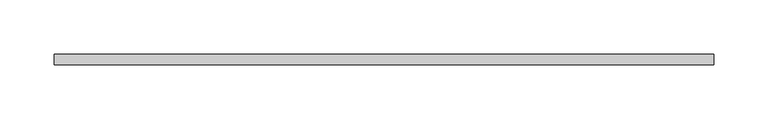
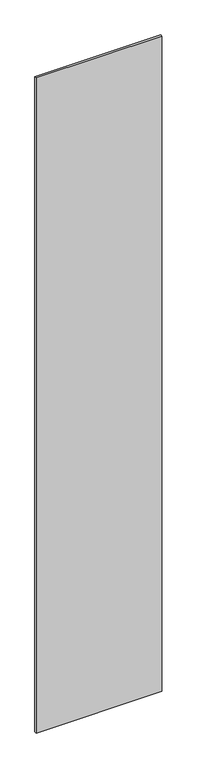
"""IFC4 building model written with IfcOpenShell, lengths in millimetres: plate geometry."""

from ifc_helpers import new_model, si_unit, origin, origin_with_axes, place, context, project, spatial, polyline, outline, extrude, source, transform, mapped, element, save


def plate_46c09de8(model_context):
    return source(origin(), model_context, "Body", "SweptSolid", [
        extrude(outline(polyline([(305.0, -5.0), (-305.0, -5.0), (-305.0, 5.0), (305.0, 5.0), (305.0, -5.0)])), origin_with_axes(), (0.0, 0.0, 1.0), 3360.0),
    ])


if __name__ == "__main__":
    model = new_model("IFC4")
    model_context = context("Model", 3, world=origin())
    ifc_project = project(units=[si_unit("LENGTHUNIT", "METRE", prefix="MILLI")], contexts=[model_context])
    site = spatial("IfcSite", under=ifc_project)
    building = spatial("IfcBuilding", under=site)
    placement = place(None, origin())
    plate_shape = plate_46c09de8(model_context)
    element("IfcPlate", 1, at=placement, inside=building, context=model_context, shape_type="MappedRepresentation", body=[
        mapped(plate_shape, transform((0.0, 0.0, 0.0), x_axis=(1.0, 0.0, 0.0), y_axis=(0.0, 1.0, 0.0), z_axis=(0.0, 0.0, 1.0))),
    ])
    save(model, "model.ifc")
